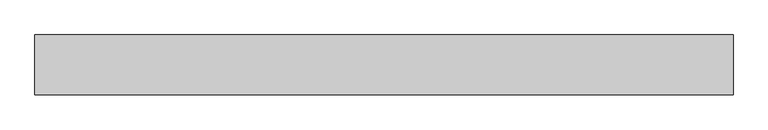
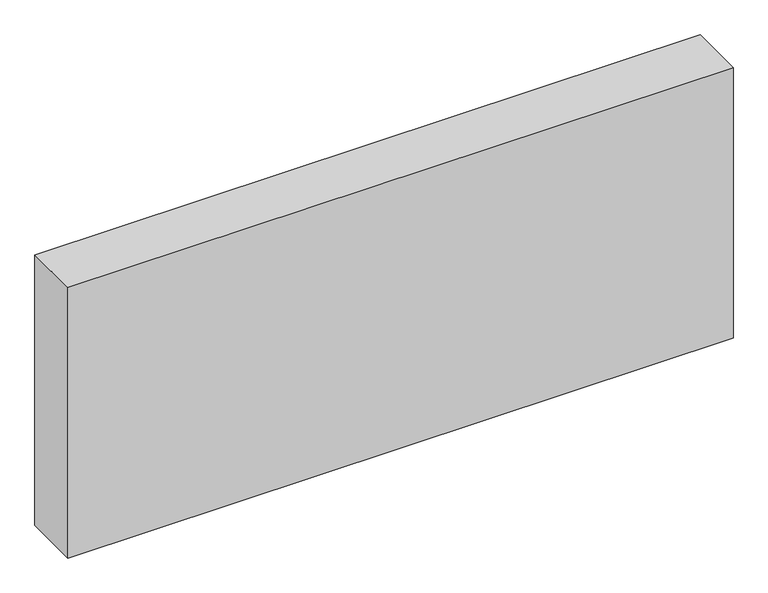
"""IFC4 building model written with IfcOpenShell, lengths in millimetres: proxy geometry."""

from ifc_helpers import new_model, si_unit, frame, origin, place, context, project, spatial, polyline, outline, extrude, source, transform, mapped, element, save


def generic_models_266ab5c9(model_context):
    return source(origin(), model_context, "Body", "SweptSolid", [
        extrude(outline(polyline([(0.0, -100.0), (-1162.7077171, -100.0), (-1162.7077171, 0.0), (0.0, 0.0), (0.0, -100.0)])), frame((0.0, 0.0, 300.0), z_axis=(0.0, 0.0, 1.0), x_axis=(1.0, 0.0, 0.0)), (0.0, 0.0, 1.0), 500.0),
    ])


if __name__ == "__main__":
    model = new_model("IFC4")
    model_context = context("Model", 3, world=origin())
    ifc_project = project(units=[si_unit("LENGTHUNIT", "METRE", prefix="MILLI")], contexts=[model_context])
    site = spatial("IfcSite", under=ifc_project)
    building = spatial("IfcBuilding", under=site)
    placement = place(None, origin())
    generic_models_shape = generic_models_266ab5c9(model_context)
    element("IfcBuildingElementProxy", 1, Name="Generic Models", at=placement, inside=building, context=model_context, shape_type="MappedRepresentation", body=[
        mapped(generic_models_shape, transform((0.0, 0.0, 0.0), x_axis=(1.0, 0.0, 0.0), y_axis=(0.0, 1.0, 0.0), z_axis=(0.0, 0.0, 1.0))),
    ])
    save(model, "model.ifc")
